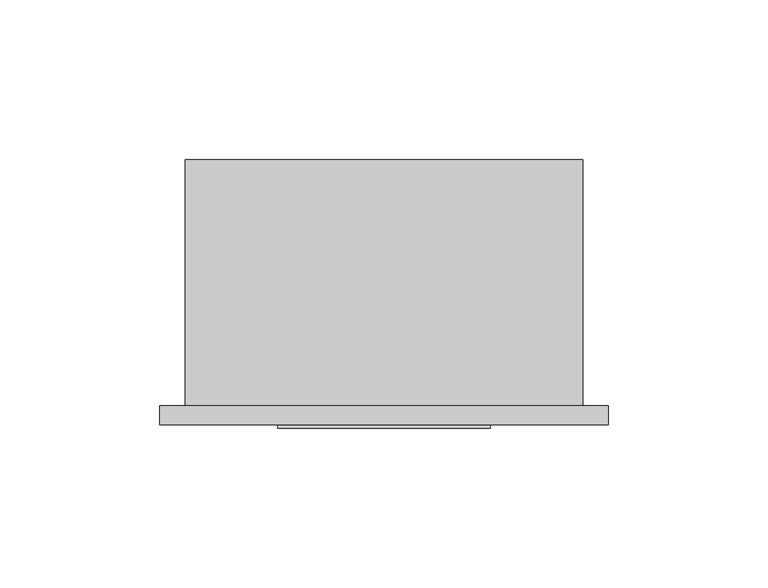
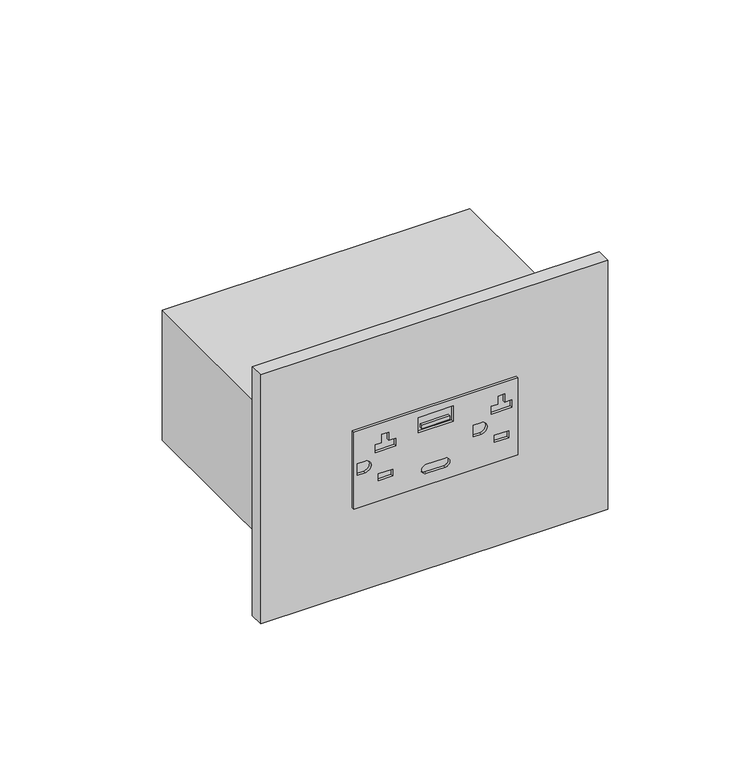
"""IFC4 building model written with IfcOpenShell, lengths in millimetres: proxy geometry."""

import ifcopenshell
import ifcopenshell.guid

model = None  # the IFC model being written
_history = None  # IfcOwnerHistory: only IFC2X3 demands one
_inside = {}  # id of a spatial element -> (the spatial element, [elements in it])
_under = {}  # id of a project, library or spatial element -> (it, [spatial elements below it])
_declared = {}  # id of a project -> (the project, [libraries it declares])
_typed = {}  # id of a type object -> (the type object, [elements of that type])
_made_of = {}  # id of a material, layer set ... -> (it, [elements and type objects made of it])


def new_model(schema):
    """Start an empty IFC model of exactly this schema.

    Asked for "IFC4X3", IfcOpenShell would pick the latest addendum, in which some entities
    have other attributes; the version numbers below select the first issue.
    IFC2X3 requires an IfcOwnerHistory on every rooted entity: one is made here for all.
    """
    global model, _history
    if schema == "IFC4X3":
        model = ifcopenshell.file(schema_version=(4, 3, 0, 0))
    else:
        model = ifcopenshell.file(schema=schema)
    _inside.clear()
    _under.clear()
    _declared.clear()
    _typed.clear()
    _made_of.clear()
    _history = None
    if model.schema == "IFC2X3":
        org = make("IfcOrganization", Name="unknown")
        user = make(
            "IfcPersonAndOrganization",
            ThePerson=make("IfcPerson", FamilyName="unknown"),
            TheOrganization=org,
        )
        app = make(
            "IfcApplication",
            ApplicationDeveloper=org,
            Version="unknown",
            ApplicationFullName="unknown",
            ApplicationIdentifier="unknown",
        )
        _history = make(
            "IfcOwnerHistory",
            OwningUser=user,
            OwningApplication=app,
            ChangeAction="ADDED",
            CreationDate=0,
        )
    return model


def make(cls, **values):
    """One entity of the class cls with the attributes given. An attribute that is None is left unset."""
    return model.create_entity(
        cls, **{name: value for name, value in values.items() if value is not None}
    )


def rooted(cls, **values):
    """An entity with a GlobalId (a new one), such as an element, a storey or a relation."""
    return make(cls, GlobalId=ifcopenshell.guid.new(), OwnerHistory=_history, **values)


def si_unit(unit_type, name, prefix=None):
    """IfcSIUnit, for example si_unit("LENGTHUNIT", "METRE", prefix="MILLI")."""
    return make("IfcSIUnit", UnitType=unit_type, Prefix=prefix, Name=name)


def assignment(units):
    """IfcUnitAssignment: the units of a project."""
    return None if units is None else make("IfcUnitAssignment", Units=units)


def point(xyz):
    """IfcCartesianPoint."""
    return None if xyz is None else make("IfcCartesianPoint", Coordinates=xyz)


def direction(xyz):
    """IfcDirection."""
    return None if xyz is None else make("IfcDirection", DirectionRatios=xyz)


def frame(location, z_axis=None, x_axis=None):
    """IfcAxis2Placement3D, a coordinate frame: its origin and axes. An axis left out is left unset."""
    return make(
        "IfcAxis2Placement3D",
        Location=point(location),
        Axis=direction(z_axis),
        RefDirection=direction(x_axis),
    )


def frame_2d(location, x_axis=None):
    """IfcAxis2Placement2D, a coordinate frame in the plane: its origin and x axis."""
    return make(
        "IfcAxis2Placement2D", Location=point(location), RefDirection=direction(x_axis)
    )


def origin():
    """The frame at (0, 0, 0) with its axes left unset."""
    return frame((0.0, 0.0, 0.0))


def place(relative_to, where):
    """IfcLocalPlacement: puts the frame where relative to a parent placement (None: the world)."""
    return make(
        "IfcLocalPlacement", PlacementRelTo=relative_to, RelativePlacement=where
    )


def context(
    kind, dimensions, precision=None, world=None, true_north=None, identifier=None
):
    """IfcGeometricRepresentationContext, for example the 3D "Model" context."""
    return make(
        "IfcGeometricRepresentationContext",
        ContextIdentifier=identifier,
        ContextType=kind,
        CoordinateSpaceDimension=dimensions,
        Precision=precision,
        WorldCoordinateSystem=world,
        TrueNorth=true_north,
    )


def project(units=None, contexts=None):
    """IfcProject with its units and contexts."""
    return rooted(
        "IfcProject",
        Name="project",
        RepresentationContexts=contexts,
        UnitsInContext=assignment(units),
    )


def spatial(cls, under=None, at=None, **own):
    """A site, building, storey or space (cls), placed at a placement, below another one or the project."""
    s = rooted(cls, ObjectPlacement=at, **own)
    if under is not None:
        _under.setdefault(under.id(), (under, []))[1].append(s)
    return s


def polyline(points):
    """IfcPolyline through the points."""
    return make("IfcPolyline", Points=[point(p) for p in points])


def circle_curve(where, radius):
    """IfcCircle in the frame where."""
    return make("IfcCircle", Position=where, Radius=radius)


def trimmed(basis, trim1, trim2, sense, master):
    """IfcTrimmedCurve: the piece of a basis curve between two trims."""
    return make(
        "IfcTrimmedCurve",
        BasisCurve=basis,
        Trim1=trim1,
        Trim2=trim2,
        SenseAgreement=sense,
        MasterRepresentation=master,
    )


def segment(curve, same_sense, transition):
    """IfcCompositeCurveSegment."""
    return make(
        "IfcCompositeCurveSegment",
        Transition=transition,
        SameSense=same_sense,
        ParentCurve=curve,
    )


def composite_curve(segments, self_intersect=None):
    """IfcCompositeCurve: segments joined end to end."""
    return make("IfcCompositeCurve", Segments=segments, SelfIntersect=self_intersect)


def outline(outer, holes=None, kind="AREA"):
    """IfcArbitraryClosedProfileDef: a profile drawn as a closed curve; with holes, ...WithVoids."""
    if holes is None:
        return make("IfcArbitraryClosedProfileDef", ProfileType=kind, OuterCurve=outer)
    return make(
        "IfcArbitraryProfileDefWithVoids",
        ProfileType=kind,
        OuterCurve=outer,
        InnerCurves=holes,
    )


def extrude(swept, where, along, depth):
    """IfcExtrudedAreaSolid: the profile swept, set in the frame where, extruded along a direction by depth."""
    return make(
        "IfcExtrudedAreaSolid",
        SweptArea=swept,
        Position=where,
        ExtrudedDirection=direction(along),
        Depth=depth,
    )


def shape(context_of_items, identifier, shape_type, items):
    """IfcShapeRepresentation: the items that make up one representation, for example the "Body"."""
    return make(
        "IfcShapeRepresentation",
        ContextOfItems=context_of_items,
        RepresentationIdentifier=identifier,
        RepresentationType=shape_type,
        Items=items,
    )


def source(mapping_origin, context_of_items, identifier, shape_type, items):
    """IfcRepresentationMap: a shape defined once, which mapped items show again and again."""
    return make(
        "IfcRepresentationMap",
        MappingOrigin=mapping_origin,
        MappedRepresentation=shape(context_of_items, identifier, shape_type, items),
    )


def transform(
    local_origin,
    x_axis=None,
    y_axis=None,
    z_axis=None,
    scale=None,
    scale2=None,
    scale3=None,
    uniform=True,
):
    """IfcCartesianTransformationOperator3D, or its non-uniform kind. x_axis, y_axis, z_axis: its Axis1, 2, 3."""
    if uniform:
        return make(
            "IfcCartesianTransformationOperator3D",
            Axis1=direction(x_axis),
            Axis2=direction(y_axis),
            LocalOrigin=point(local_origin),
            Scale=scale,
            Axis3=direction(z_axis),
        )
    return make(
        "IfcCartesianTransformationOperator3DnonUniform",
        Axis1=direction(x_axis),
        Axis2=direction(y_axis),
        LocalOrigin=point(local_origin),
        Scale=scale,
        Axis3=direction(z_axis),
        Scale2=scale2,
        Scale3=scale3,
    )


def mapped(mapping_source, mapping_target):
    """IfcMappedItem: shows the shape of a source again, moved by a transform."""
    return make(
        "IfcMappedItem", MappingSource=mapping_source, MappingTarget=mapping_target
    )


def made_of(thing, what):
    """Note that an element or type object is made of a material, layer set ...; save() writes the relation."""
    if what is not None:
        _made_of.setdefault(what.id(), (what, []))[1].append(thing)
    return thing


def element(
    cls,
    number,
    at=None,
    inside=None,
    cuts=None,
    type_object=None,
    material=None,
    context=None,
    identifier="Body",
    shape_type=None,
    held_by="IfcProductDefinitionShape",
    body=None,
    shapes=None,
    **own,
):
    """One element of the class cls, such as IfcWall. Its Tag is "e" and its number.

    at: its placement. inside: the storey or other place that contains it. cuts: it is an
    opening in that element (IfcRelVoidsElement). A single representation is given by context,
    identifier, shape_type and body (its items); several are given by shapes. held_by: the class
    of the entity that holds the representations. save() writes the other relations.
    """
    e = rooted(cls, Tag="e%d" % number, ObjectPlacement=at, **own)
    if body is not None:
        shapes = [shape(context, identifier, shape_type, body)]
    if shapes is not None:
        e.Representation = make(held_by, Representations=shapes)
    if inside is not None:
        _inside.setdefault(inside.id(), (inside, []))[1].append(e)
    if cuts is not None:
        rooted(
            "IfcRelVoidsElement", RelatingBuildingElement=cuts, RelatedOpeningElement=e
        )
    if type_object is not None:
        _typed.setdefault(type_object.id(), (type_object, []))[1].append(e)
    return made_of(e, material)


def aggregate(whole, parts):
    """IfcRelAggregates: a whole, such as a stair, and the parts it consists of."""
    return rooted("IfcRelAggregates", RelatingObject=whole, RelatedObjects=parts)


def save(model, path):
    """Write the relations noted so far, then the file.

    IfcRelAggregates (storeys below a building ...), IfcRelContainedInSpatialStructure (elements
    in a storey), IfcRelDefinesByType, IfcRelAssociatesMaterial and IfcRelDeclares: one each for
    every whole, place, type object, material and project.
    """
    for whole, parts in _under.values():
        aggregate(whole, parts)
    for where, things in _inside.values():
        rooted(
            "IfcRelContainedInSpatialStructure",
            RelatedElements=things,
            RelatingStructure=where,
        )
    for kind, things in _typed.values():
        rooted("IfcRelDefinesByType", RelatedObjects=things, RelatingType=kind)
    for what, things in _made_of.values():
        rooted("IfcRelAssociatesMaterial", RelatedObjects=things, RelatingMaterial=what)
    for by, libraries in _declared.values():
        rooted("IfcRelDeclares", RelatingContext=by, RelatedDefinitions=libraries)
    model.write(path)


def electrical_fixtures_6ca6a594(model_context):
    return source(origin(), model_context, "Body", "SweptSolid", [
        extrude(outline(polyline([(854.6973, 95.5294), (854.6973, 28.9814), (821.7027, 28.9814), (821.7027, 95.5294), (854.6973, 95.5294)]), holes=[polyline([(851.7734934, 69.3039), (845.2724383, 69.3039), (845.2724383, 55.2069), (851.7734934, 55.2069), (851.7734934, 69.3039)]), composite_curve([segment(trimmed(circle_curve(frame_2d((828.6623, 66.04)), 1.905), [point((830.5673, 66.04))], [point((826.7573, 66.04))], True, "CARTESIAN"), True, "CONTINUOUS"), segment(polyline([(826.7573, 66.04), (826.7573, 58.4708)]), True, "CONTINUOUS"), segment(trimmed(circle_curve(frame_2d((828.6623, 58.4708)), 1.905), [point((826.7573, 58.4708))], [point((830.5673, 58.4708))], True, "CARTESIAN"), True, "CONTINUOUS"), segment(polyline([(830.5673, 58.4708), (830.5673, 66.04)]), True, "CONTINUOUS")], self_intersect=False), composite_curve([segment(polyline([(835.7362, 30.5054), (840.6638, 30.5054), (840.6638, 33.6042)]), True, "CONTINUOUS"), segment(trimmed(circle_curve(frame_2d((838.2, 33.6042)), 2.4638), [point((840.6638, 33.6042))], [point((835.7362, 33.6042))], True, "CARTESIAN"), True, "CONTINUOUS"), segment(polyline([(835.7362, 33.6042), (835.7362, 30.5054)]), True, "CONTINUOUS")], self_intersect=False), polyline([(842.8355, 46.0756), (842.8355, 37.7765661), (846.1629, 37.7765661), (846.1629, 40.4597639), (849.6935, 40.4597639), (849.6935, 43.1973812), (846.1629, 43.1973812), (846.1629, 46.0756), (842.8355, 46.0756)]), composite_curve([segment(polyline([(840.6638, 77.4954), (840.6638, 80.5942)]), True, "CONTINUOUS"), segment(trimmed(circle_curve(frame_2d((838.2, 80.5942)), 2.4638), [point((840.6638, 80.5942))], [point((835.7362, 80.5942))], True, "CARTESIAN"), True, "CONTINUOUS"), segment(polyline([(835.7362, 80.5942), (835.7362, 77.4954), (840.6638, 77.4954)]), True, "CONTINUOUS")], self_intersect=False), polyline([(833.3613, 86.0128649), (833.3613, 91.8360175), (830.38696, 91.8360175), (830.38696, 86.0128649), (833.3613, 86.0128649)]), polyline([(833.3613, 39.0228649), (833.3613, 44.8460175), (830.38696, 44.8460175), (830.38696, 39.0228649), (833.3613, 39.0228649)]), polyline([(842.8355, 93.0656), (842.8355, 84.7665661), (846.1629, 84.7665661), (846.1629, 87.4497639), (849.6935, 87.4497639), (849.6935, 90.1873812), (846.1629, 90.1873812), (846.1629, 93.0656), (842.8355, 93.0656)])]), frame((0.0, -6.9294746, 0.0), z_axis=(0.0, 1.0, 0.0), x_axis=(0.0, 0.0, 1.0)), (0.0, 0.0, 1.0), 1.0366746),
        extrude(outline(polyline([(67.9731897, -6.9294746), (56.5295546, -6.9294746), (56.5295546, -5.8928), (67.9731897, -5.8928), (67.9731897, -6.9294746)])), frame((0.0, 0.0, 846.482265), z_axis=(0.0, 0.0, 1.0), x_axis=(1.0, 0.0, 0.0)), (0.0, 0.0, 1.0), 1.5209293),
        extrude(outline(polyline([(-7.9502, 0.0), (132.4102, 0.0), (132.4102, -5.8928), (-7.9502, -5.8928), (-7.9502, 0.0)])), frame((0.0, 0.0, 784.9108), z_axis=(0.0, 0.0, 1.0), x_axis=(1.0, 0.0, 0.0)), (0.0, 0.0, 1.0), 106.5784),
        extrude(outline(polyline([(124.46, 0.0), (0.0, 0.0), (0.0, 77.054), (124.46, 77.054), (124.46, 0.0)])), frame((0.0, 0.0, 810.4124), z_axis=(0.0, 0.0, 1.0), x_axis=(1.0, 0.0, 0.0)), (0.0, 0.0, 1.0), 55.5752),
    ])


if __name__ == "__main__":
    model = new_model("IFC4")
    model_context = context("Model", 3, world=origin())
    ifc_project = project(units=[si_unit("LENGTHUNIT", "METRE", prefix="MILLI")], contexts=[model_context])
    site = spatial("IfcSite", under=ifc_project)
    building = spatial("IfcBuilding", under=site)
    placement = place(None, origin())
    electrical_fixtures_shape = electrical_fixtures_6ca6a594(model_context)
    element("IfcBuildingElementProxy", 1, Name="Electrical Fixtures", at=placement, inside=building, context=model_context, shape_type="MappedRepresentation", body=[
        mapped(electrical_fixtures_shape, transform((0.0, 0.0, 0.0), x_axis=(1.0, 0.0, 0.0), y_axis=(0.0, 1.0, 0.0), z_axis=(0.0, 0.0, 1.0))),
    ])
    save(model, "model.ifc")
